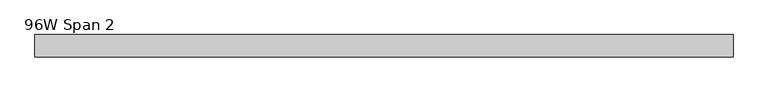
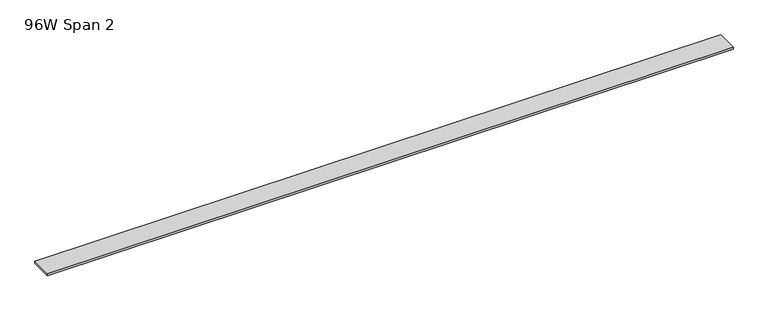
"""IFC4 building model written with IfcOpenShell, lengths in millimetres: furniture geometry, 96W Span 2."""

from ifc_helpers import new_model, si_unit, frame, origin, place, context, project, spatial, polyline, outline, extrude, source, transform, mapped, element, save


def furniture_96w_span_2_3a3874f8(model_context):
    return source(origin(), model_context, "Body", "SweptSolid", [
        extrude(outline(polyline([(1163.21205, 38.735), (1163.21205, -38.735), (-1275.18795, -38.735), (-1275.18795, 38.735), (1163.21205, 38.735)])), frame((0.0, 0.0, 1150.366), z_axis=(0.0, 0.0, 1.0), x_axis=(1.0, 0.0, 0.0)), (0.0, 0.0, 1.0), 6.858),
    ])


if __name__ == "__main__":
    model = new_model("IFC4")
    model_context = context("Model", 3, world=origin())
    ifc_project = project(units=[si_unit("LENGTHUNIT", "METRE", prefix="MILLI")], contexts=[model_context])
    site = spatial("IfcSite", under=ifc_project)
    building = spatial("IfcBuilding", under=site)
    placement = place(None, origin())
    furniture_96w_span_2_shape = furniture_96w_span_2_3a3874f8(model_context)
    element("IfcFurniture", 1, ObjectType="96W Span 2", at=placement, inside=building, context=model_context, shape_type="MappedRepresentation", body=[
        mapped(furniture_96w_span_2_shape, transform((0.0, 0.0, 0.0), x_axis=(1.0, 0.0, 0.0), y_axis=(0.0, 1.0, 0.0), z_axis=(0.0, 0.0, 1.0))),
    ])
    save(model, "model.ifc")
